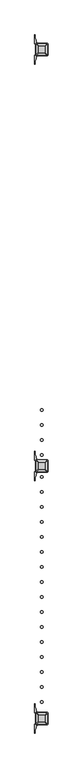
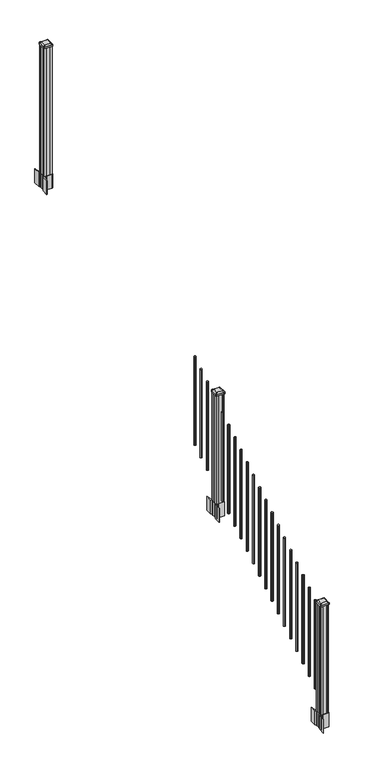
"""IFC4 building model written with IfcOpenShell, lengths in millimetres: railing geometry."""

from ifc_helpers import new_model, si_unit, point, frame, frame_2d, origin, place, context, project, spatial, polyline, circle_curve, trimmed, segment, composite_curve, outline, extrude, source, transform, mapped, element, save
from ifc_brep_helpers import plane_surface, extruded_surface, advanced_brep


def railing_1b7e2a3b(model_context):
    return source(origin(), model_context, "Body", "SolidModel", [
        extrude(outline(composite_curve([segment(trimmed(circle_curve(frame_2d((9872.6802034, -20054.6054681)), 9.525), [point((9882.2052034, -20054.6054681))], [point((9872.6802034, -20064.1304681))], False, "CARTESIAN"), True, "CONTINUOUS"), segment(trimmed(circle_curve(frame_2d((9872.6802034, -20054.6054681)), 9.525), [point((9872.6802034, -20064.1304681))], [point((9863.1552034, -20054.6054681))], False, "CARTESIAN"), True, "CONTINUOUS"), segment(trimmed(circle_curve(frame_2d((9872.6802034, -20054.6054681)), 9.525), [point((9863.1552034, -20054.6054681))], [point((9872.6802034, -20045.0804681))], False, "CARTESIAN"), True, "CONTINUOUS"), segment(trimmed(circle_curve(frame_2d((9872.6802034, -20054.6054681)), 9.525), [point((9872.6802034, -20045.0804681))], [point((9882.2052034, -20054.6054681))], False, "CARTESIAN"), True, "CONTINUOUS")], self_intersect=False)), frame((0.0, 0.0, 1695.6046281), z_axis=(0.0, 0.0, 1.0), x_axis=(1.0, 0.0, 0.0)), (0.0, 0.0, 1.0), 965.2041219),
        extrude(outline(composite_curve([segment(trimmed(circle_curve(frame_2d((9872.6802034, -20165.8574681)), 9.525), [point((9882.2052034, -20165.8574681))], [point((9872.6802034, -20175.3824681))], False, "CARTESIAN"), True, "CONTINUOUS"), segment(trimmed(circle_curve(frame_2d((9872.6802034, -20165.8574681)), 9.525), [point((9872.6802034, -20175.3824681))], [point((9863.1552034, -20165.8574681))], False, "CARTESIAN"), True, "CONTINUOUS"), segment(trimmed(circle_curve(frame_2d((9872.6802034, -20165.8574681)), 9.525), [point((9863.1552034, -20165.8574681))], [point((9872.6802034, -20156.3324681))], False, "CARTESIAN"), True, "CONTINUOUS"), segment(trimmed(circle_curve(frame_2d((9872.6802034, -20165.8574681)), 9.525), [point((9872.6802034, -20156.3324681))], [point((9882.2052034, -20165.8574681))], False, "CARTESIAN"), True, "CONTINUOUS")], self_intersect=False)), frame((0.0, 0.0, 1626.0721281), z_axis=(0.0, 0.0, 1.0), x_axis=(1.0, 0.0, 0.0)), (0.0, 0.0, 1.0), 965.2041219),
        extrude(outline(composite_curve([segment(trimmed(circle_curve(frame_2d((9872.6802034, -20277.1094681)), 9.525), [point((9882.2052034, -20277.1094681))], [point((9872.6802034, -20286.6344681))], False, "CARTESIAN"), True, "CONTINUOUS"), segment(trimmed(circle_curve(frame_2d((9872.6802034, -20277.1094681)), 9.525), [point((9872.6802034, -20286.6344681))], [point((9863.1552034, -20277.1094681))], False, "CARTESIAN"), True, "CONTINUOUS"), segment(trimmed(circle_curve(frame_2d((9872.6802034, -20277.1094681)), 9.525), [point((9863.1552034, -20277.1094681))], [point((9872.6802034, -20267.5844681))], False, "CARTESIAN"), True, "CONTINUOUS"), segment(trimmed(circle_curve(frame_2d((9872.6802034, -20277.1094681)), 9.525), [point((9872.6802034, -20267.5844681))], [point((9882.2052034, -20277.1094681))], False, "CARTESIAN"), True, "CONTINUOUS")], self_intersect=False)), frame((0.0, 0.0, 1556.5396281), z_axis=(0.0, 0.0, 1.0), x_axis=(1.0, 0.0, 0.0)), (0.0, 0.0, 1.0), 965.2041219),
        extrude(outline(composite_curve([segment(trimmed(circle_curve(frame_2d((9872.6802034, -20388.3614681)), 9.525), [point((9882.2052034, -20388.3614681))], [point((9872.6802034, -20397.8864681))], False, "CARTESIAN"), True, "CONTINUOUS"), segment(trimmed(circle_curve(frame_2d((9872.6802034, -20388.3614681)), 9.525), [point((9872.6802034, -20397.8864681))], [point((9863.1552034, -20388.3614681))], False, "CARTESIAN"), True, "CONTINUOUS"), segment(trimmed(circle_curve(frame_2d((9872.6802034, -20388.3614681)), 9.525), [point((9863.1552034, -20388.3614681))], [point((9872.6802034, -20378.8364681))], False, "CARTESIAN"), True, "CONTINUOUS"), segment(trimmed(circle_curve(frame_2d((9872.6802034, -20388.3614681)), 9.525), [point((9872.6802034, -20378.8364681))], [point((9882.2052034, -20388.3614681))], False, "CARTESIAN"), True, "CONTINUOUS")], self_intersect=False)), frame((0.0, 0.0, 1487.0071281), z_axis=(0.0, 0.0, 1.0), x_axis=(1.0, 0.0, 0.0)), (0.0, 0.0, 1.0), 965.2041219),
        extrude(outline(composite_curve([segment(polyline([(9915.4157034, -20486.773563), (9917.0032034, -20487.535563), (9917.0032034, -20510.337491), (9913.6302263, -20513.7104681), (9852.1705555, -20513.7104681), (9852.1705555, -20514.6312181), (9846.8530117, -20514.6312181), (9846.8530117, -20516.0854728), (9841.768482, -20516.0854728), (9841.768482, -20517.3694966), (9840.1012097, -20517.3694966)]), True, "CONTINUOUS"), segment(trimmed(circle_curve(frame_2d((9840.1012097, -20524.4289565)), 7.0594599), [point((9840.1012097, -20517.3694966))], [point((9833.3339468, -20522.4189498))], True, "CARTESIAN"), True, "CONTINUOUS"), segment(polyline([(9833.3339468, -20522.4189498), (9825.4597526, -20548.9296789)]), True, "CONTINUOUS"), segment(trimmed(circle_curve(frame_2d((9880.2442659, -20565.2017285)), 57.15), [point((9825.4597526, -20548.9296789))], [point((9823.0942659, -20565.2017285))], True, "CARTESIAN"), True, "CONTINUOUS"), segment(polyline([(9823.0942659, -20565.2017285), (9823.0942659, -20577.2104681), (9820.0942659, -20577.2104681), (9820.0942659, -20512.1229681), (9828.3572034, -20500.7846768), (9828.3572034, -20487.535563), (9829.9447034, -20486.773563), (9829.9447034, -20452.0013732), (9828.3572034, -20451.2393732), (9828.3572034, -20437.9902594), (9820.0942659, -20426.6519681), (9820.0942659, -20361.5644681), (9823.0942659, -20361.5644681), (9823.0942659, -20373.5732076)]), True, "CONTINUOUS"), segment(trimmed(circle_curve(frame_2d((9880.2442659, -20373.5732076)), 57.15), [point((9823.0942659, -20373.5732076))], [point((9825.4597526, -20389.8452573))], True, "CARTESIAN"), True, "CONTINUOUS"), segment(polyline([(9825.4597526, -20389.8452573), (9833.3339468, -20416.3559864)]), True, "CONTINUOUS"), segment(trimmed(circle_curve(frame_2d((9840.1012097, -20414.3459797)), 7.0594599), [point((9833.3339468, -20416.3559864))], [point((9840.1012097, -20421.4054396))], True, "CARTESIAN"), True, "CONTINUOUS"), segment(polyline([(9840.1012097, -20421.4054396), (9841.768482, -20421.4054396), (9841.768482, -20422.6894634), (9846.8530117, -20422.6894634), (9846.8530117, -20424.1437181), (9852.1705555, -20424.1437181), (9852.1705555, -20425.0644681), (9913.6302263, -20425.0644681), (9917.0032034, -20428.4374452), (9917.0032034, -20451.2393732), (9915.4157034, -20452.0013732), (9915.4157034, -20486.773563)]), True, "CONTINUOUS")], self_intersect=False), holes=[polyline([(9831.4052034, -20429.6999681), (9831.4052034, -20509.0749681), (9832.9927034, -20510.6624681), (9869.916986, -20510.6624681), (9912.3677034, -20510.6624681), (9913.9552034, -20509.0749681), (9913.9552034, -20429.6999681), (9912.3677034, -20428.1124681), (9869.916986, -20428.1124681), (9832.9927034, -20428.1124681), (9831.4052034, -20429.6999681)])]), frame((0.0, 0.0, 1182.37), z_axis=(0.0, 0.0, 1.0), x_axis=(1.0, 0.0, 0.0)), (0.0, 0.0, 1.0), 152.4),
        advanced_brep(
        [(9846.8833284, -20498.3593431, 2547.109263), (9898.4770784, -20498.3593431, 2547.109263), (9901.6520784, -20495.1843431, 2547.109263), (9901.6520784, -20443.5905931, 2547.109263), (9898.4770784, -20440.4155931, 2547.109263), (9846.8833284, -20440.4155931, 2547.109263), (9843.7083284, -20443.5905931, 2547.109263), (9843.7083284, -20495.1843431, 2547.109263), (9830.6114534, -20514.6312181, 2535.806263), (9827.4364534, -20511.4562181, 2535.806263), (9827.4364534, -20427.3187181, 2535.806263), (9830.6114534, -20424.1437181, 2535.806263), (9914.7489534, -20424.1437181, 2535.806263), (9917.9239534, -20427.3187181, 2535.806263), (9917.9239534, -20511.4562181, 2535.806263), (9914.7489534, -20514.6312181, 2535.806263)],
        [
            (0, 1),
            (1, 2, circle_curve(frame((9898.4770784, -20495.1843431, 2547.109263), z_axis=(0.0, 0.0, 1.0), x_axis=(0.0, 1.0, 0.0)), 3.175)),
            (2, 3),
            (3, 4, circle_curve(frame((9898.4770784, -20443.5905931, 2547.109263), z_axis=(0.0, 0.0, 1.0), x_axis=(0.0, 1.0, 0.0)), 3.175)),
            (4, 5),
            (5, 6, circle_curve(frame((9846.8833284, -20443.5905931, 2547.109263), z_axis=(0.0, 0.0, 1.0), x_axis=(0.0, 1.0, 0.0)), 3.175)),
            (6, 7),
            (7, 0, circle_curve(frame((9846.8833284, -20495.1843431, 2547.109263), z_axis=(0.0, 0.0, 1.0), x_axis=(0.0, 1.0, 0.0)), 3.175)),
            (8, 9, circle_curve(frame((9830.6114534, -20511.4562181, 2535.806263), z_axis=(0.0, 0.0, -1.0), x_axis=(0.0, 1.0, 0.0)), 3.175)),
            (9, 10),
            (10, 11, circle_curve(frame((9830.6114534, -20427.3187181, 2535.806263), z_axis=(0.0, 0.0, -1.0), x_axis=(0.0, 1.0, 0.0)), 3.175)),
            (11, 12),
            (12, 13, circle_curve(frame((9914.7489534, -20427.3187181, 2535.806263), z_axis=(0.0, 0.0, -1.0), x_axis=(0.0, 1.0, 0.0)), 3.175)),
            (13, 14),
            (14, 15, circle_curve(frame((9914.7489534, -20511.4562181, 2535.806263), z_axis=(0.0, 0.0, -1.0), x_axis=(0.0, 1.0, 0.0)), 3.175)),
            (15, 8),
            (8, 0),
            (7, 9),
            (6, 10),
            (5, 11),
            (4, 12),
            (3, 13),
            (2, 14),
            (1, 15),
        ],
        [
            plane_surface(frame((9872.6802034, -20469.3874681, 2547.109263), z_axis=(0.0, 0.0, 1.0), x_axis=(-1.0, 0.0, 0.0))),
            plane_surface(frame((9872.6802034, -20469.3874681, 2535.806263), z_axis=(0.0, 0.0, -1.0), x_axis=(-1.0, 0.0, 0.0))),
            extruded_surface(trimmed(circle_curve(frame((9846.8833284, -20495.1843431, 2547.109263), z_axis=(0.0, 0.0, -1.0), x_axis=(0.0, 1.0, 0.0)), 3.175), [point((9846.8833284, -20498.3593431, 2547.109263))], [point((9843.7083284, -20495.1843431, 2547.109263))], True, "CARTESIAN"), (-16.271874999998545, -16.271874999998545, -11.302999999999884), 25.637972638864262),
            plane_surface(frame((9827.4364534, -20469.3874681, 2535.806263), z_axis=(-0.5705009161540778, 0.0, 0.8212969649690408), x_axis=(0.0, 1.0, 0.0))),
            extruded_surface(trimmed(circle_curve(frame((9846.8833284, -20443.5905931, 2547.109263), z_axis=(0.0, 0.0, -1.0), x_axis=(0.0, 1.0, 0.0)), 3.175), [point((9843.7083284, -20443.5905931, 2547.109263))], [point((9846.8833284, -20440.4155931, 2547.109263))], True, "CARTESIAN"), (-16.271874999998545, 16.271875000002183, -11.302999999999884), 25.637972638866575),
            plane_surface(frame((9872.6802034, -20424.1437181, 2535.806263), z_axis=(0.0, 0.5705009161540291, 0.8212969649690747), x_axis=(1.0, 0.0, 0.0))),
            extruded_surface(trimmed(circle_curve(frame((9898.4770784, -20443.5905931, 2547.109263), z_axis=(0.0, 0.0, -1.0), x_axis=(0.0, 1.0, 0.0)), 3.175), [point((9898.4770784, -20440.4155931, 2547.109263))], [point((9901.6520784, -20443.5905931, 2547.109263))], True, "CARTESIAN"), (16.271875000000364, 16.271875000002183, -11.302999999999884), 25.637972638867726),
            plane_surface(frame((9917.9239534, -20469.3874681, 2535.806263), z_axis=(0.5705009161540142, 0.0, 0.8212969649690851), x_axis=(0.0, -1.0, 0.0))),
            extruded_surface(trimmed(circle_curve(frame((9898.4770784, -20495.1843431, 2547.109263), z_axis=(0.0, 0.0, -1.0), x_axis=(0.0, 1.0, 0.0)), 3.175), [point((9901.6520784, -20495.1843431, 2547.109263))], [point((9898.4770784, -20498.3593431, 2547.109263))], True, "CARTESIAN"), (16.271875000000364, -16.271874999998545, -11.302999999999884), 25.63797263886542),
            plane_surface(frame((9872.6802034, -20514.6312181, 2535.806263), z_axis=(0.0, -0.570500916154034, 0.8212969649690713), x_axis=(-1.0, 0.0, 0.0))),
        ],
        [
            (0, [[1, 2, 3, 4, 5, 6, 7, 8]]),
            (1, [[9, 10, 11, 12, 13, 14, 15, 16]]),
            (2, [[17, -8, 18, -9]]),
            (3, [[-18, -7, 19, -10]]),
            (4, [[-19, -6, 20, -11]]),
            (5, [[-20, -5, 21, -12]]),
            (6, [[-21, -4, 22, -13]]),
            (7, [[-22, -3, 23, -14]]),
            (8, [[-23, -2, 24, -15]]),
            (9, [[-24, -1, -17, -16]]),
        ],
    ),
        extrude(outline(composite_curve([segment(trimmed(circle_curve(frame_2d((9830.6114534, -20511.4562181)), 3.175), [point((9830.6114534, -20514.6312181))], [point((9827.4364534, -20511.4562181))], False, "CARTESIAN"), True, "CONTINUOUS"), segment(polyline([(9827.4364534, -20511.4562181), (9827.4364534, -20427.3187181)]), True, "CONTINUOUS"), segment(trimmed(circle_curve(frame_2d((9830.6114534, -20427.3187181)), 3.175), [point((9827.4364534, -20427.3187181))], [point((9830.6114534, -20424.1437181))], False, "CARTESIAN"), True, "CONTINUOUS"), segment(polyline([(9830.6114534, -20424.1437181), (9914.7489534, -20424.1437181)]), True, "CONTINUOUS"), segment(trimmed(circle_curve(frame_2d((9914.7489534, -20427.3187181)), 3.175), [point((9914.7489534, -20424.1437181))], [point((9917.9239534, -20427.3187181))], False, "CARTESIAN"), True, "CONTINUOUS"), segment(polyline([(9917.9239534, -20427.3187181), (9917.9239534, -20511.4562181)]), True, "CONTINUOUS"), segment(trimmed(circle_curve(frame_2d((9914.7489534, -20511.4562181)), 3.175), [point((9917.9239534, -20511.4562181))], [point((9914.7489534, -20514.6312181))], False, "CARTESIAN"), True, "CONTINUOUS"), segment(polyline([(9914.7489534, -20514.6312181), (9830.6114534, -20514.6312181)]), True, "CONTINUOUS")], self_intersect=False)), frame((0.0, 0.0, 2518.534263), z_axis=(0.0, 0.0, 1.0), x_axis=(1.0, 0.0, 0.0)), (0.0, 0.0, 1.0), 17.272),
        extrude(outline(polyline([(9832.9927034, -20510.6624681), (9831.4052034, -20509.0749681), (9831.4052034, -20489.4534681), (9832.9927034, -20488.6914681), (9832.9927034, -20450.0834681), (9831.4052034, -20449.3214681), (9831.4052034, -20429.6999681), (9832.9927034, -20428.1124681), (9852.6142034, -20428.1124681), (9853.3762034, -20429.6999681), (9891.9842034, -20429.6999681), (9892.7462034, -20428.1124681), (9912.3677034, -20428.1124681), (9913.9552034, -20429.6999681), (9913.9552034, -20449.3214681), (9912.3677034, -20450.0834681), (9912.3677034, -20488.6914681), (9913.9552034, -20489.4534681), (9913.9552034, -20509.0749681), (9912.3677034, -20510.6624681), (9892.7462034, -20510.6624681), (9891.9842034, -20509.0749681), (9853.3762034, -20509.0749681), (9852.6142034, -20510.6624681), (9832.9927034, -20510.6624681)])), frame((0.0, 0.0, 1334.77), z_axis=(0.0, 0.0, 1.0), x_axis=(1.0, 0.0, 0.0)), (0.0, 0.0, 1.0), 1183.764263),
        extrude(outline(composite_curve([segment(trimmed(circle_curve(frame_2d((9872.6802034, -20550.4134681)), 9.525), [point((9882.2052034, -20550.4134681))], [point((9872.6802034, -20559.9384681))], False, "CARTESIAN"), True, "CONTINUOUS"), segment(trimmed(circle_curve(frame_2d((9872.6802034, -20550.4134681)), 9.525), [point((9872.6802034, -20559.9384681))], [point((9863.1552034, -20550.4134681))], False, "CARTESIAN"), True, "CONTINUOUS"), segment(trimmed(circle_curve(frame_2d((9872.6802034, -20550.4134681)), 9.525), [point((9863.1552034, -20550.4134681))], [point((9872.6802034, -20540.8884681))], False, "CARTESIAN"), True, "CONTINUOUS"), segment(trimmed(circle_curve(frame_2d((9872.6802034, -20550.4134681)), 9.525), [point((9872.6802034, -20540.8884681))], [point((9882.2052034, -20550.4134681))], False, "CARTESIAN"), True, "CONTINUOUS")], self_intersect=False)), frame((0.0, 0.0, 1385.7246281), z_axis=(0.0, 0.0, 1.0), x_axis=(1.0, 0.0, 0.0)), (0.0, 0.0, 1.0), 965.2041219),
        extrude(outline(composite_curve([segment(trimmed(circle_curve(frame_2d((9872.6802034, -20661.6654681)), 9.525), [point((9882.2052034, -20661.6654681))], [point((9872.6802034, -20671.1904681))], False, "CARTESIAN"), True, "CONTINUOUS"), segment(trimmed(circle_curve(frame_2d((9872.6802034, -20661.6654681)), 9.525), [point((9872.6802034, -20671.1904681))], [point((9863.1552034, -20661.6654681))], False, "CARTESIAN"), True, "CONTINUOUS"), segment(trimmed(circle_curve(frame_2d((9872.6802034, -20661.6654681)), 9.525), [point((9863.1552034, -20661.6654681))], [point((9872.6802034, -20652.1404681))], False, "CARTESIAN"), True, "CONTINUOUS"), segment(trimmed(circle_curve(frame_2d((9872.6802034, -20661.6654681)), 9.525), [point((9872.6802034, -20652.1404681))], [point((9882.2052034, -20661.6654681))], False, "CARTESIAN"), True, "CONTINUOUS")], self_intersect=False)), frame((0.0, 0.0, 1316.1921281), z_axis=(0.0, 0.0, 1.0), x_axis=(1.0, 0.0, 0.0)), (0.0, 0.0, 1.0), 965.2041219),
        extrude(outline(composite_curve([segment(trimmed(circle_curve(frame_2d((9872.6802034, -20772.9174681)), 9.525), [point((9882.2052034, -20772.9174681))], [point((9872.6802034, -20782.4424681))], False, "CARTESIAN"), True, "CONTINUOUS"), segment(trimmed(circle_curve(frame_2d((9872.6802034, -20772.9174681)), 9.525), [point((9872.6802034, -20782.4424681))], [point((9863.1552034, -20772.9174681))], False, "CARTESIAN"), True, "CONTINUOUS"), segment(trimmed(circle_curve(frame_2d((9872.6802034, -20772.9174681)), 9.525), [point((9863.1552034, -20772.9174681))], [point((9872.6802034, -20763.3924681))], False, "CARTESIAN"), True, "CONTINUOUS"), segment(trimmed(circle_curve(frame_2d((9872.6802034, -20772.9174681)), 9.525), [point((9872.6802034, -20763.3924681))], [point((9882.2052034, -20772.9174681))], False, "CARTESIAN"), True, "CONTINUOUS")], self_intersect=False)), frame((0.0, 0.0, 1246.6596281), z_axis=(0.0, 0.0, 1.0), x_axis=(1.0, 0.0, 0.0)), (0.0, 0.0, 1.0), 965.2041219),
        extrude(outline(composite_curve([segment(trimmed(circle_curve(frame_2d((9872.6802034, -20884.1694681)), 9.525), [point((9882.2052034, -20884.1694681))], [point((9872.6802034, -20893.6944681))], False, "CARTESIAN"), True, "CONTINUOUS"), segment(trimmed(circle_curve(frame_2d((9872.6802034, -20884.1694681)), 9.525), [point((9872.6802034, -20893.6944681))], [point((9863.1552034, -20884.1694681))], False, "CARTESIAN"), True, "CONTINUOUS"), segment(trimmed(circle_curve(frame_2d((9872.6802034, -20884.1694681)), 9.525), [point((9863.1552034, -20884.1694681))], [point((9872.6802034, -20874.6444681))], False, "CARTESIAN"), True, "CONTINUOUS"), segment(trimmed(circle_curve(frame_2d((9872.6802034, -20884.1694681)), 9.525), [point((9872.6802034, -20874.6444681))], [point((9882.2052034, -20884.1694681))], False, "CARTESIAN"), True, "CONTINUOUS")], self_intersect=False)), frame((0.0, 0.0, 1177.1271281), z_axis=(0.0, 0.0, 1.0), x_axis=(1.0, 0.0, 0.0)), (0.0, 0.0, 1.0), 965.2041219),
        extrude(outline(composite_curve([segment(trimmed(circle_curve(frame_2d((9872.6802034, -20995.4214681)), 9.525), [point((9882.2052034, -20995.4214681))], [point((9872.6802034, -21004.9464681))], False, "CARTESIAN"), True, "CONTINUOUS"), segment(trimmed(circle_curve(frame_2d((9872.6802034, -20995.4214681)), 9.525), [point((9872.6802034, -21004.9464681))], [point((9863.1552034, -20995.4214681))], False, "CARTESIAN"), True, "CONTINUOUS"), segment(trimmed(circle_curve(frame_2d((9872.6802034, -20995.4214681)), 9.525), [point((9863.1552034, -20995.4214681))], [point((9872.6802034, -20985.8964681))], False, "CARTESIAN"), True, "CONTINUOUS"), segment(trimmed(circle_curve(frame_2d((9872.6802034, -20995.4214681)), 9.525), [point((9872.6802034, -20985.8964681))], [point((9882.2052034, -20995.4214681))], False, "CARTESIAN"), True, "CONTINUOUS")], self_intersect=False)), frame((0.0, 0.0, 1107.5946281), z_axis=(0.0, 0.0, 1.0), x_axis=(1.0, 0.0, 0.0)), (0.0, 0.0, 1.0), 965.2041219),
        extrude(outline(composite_curve([segment(trimmed(circle_curve(frame_2d((9872.6802034, -21106.6734681)), 9.525), [point((9882.2052034, -21106.6734681))], [point((9872.6802034, -21116.1984681))], False, "CARTESIAN"), True, "CONTINUOUS"), segment(trimmed(circle_curve(frame_2d((9872.6802034, -21106.6734681)), 9.525), [point((9872.6802034, -21116.1984681))], [point((9863.1552034, -21106.6734681))], False, "CARTESIAN"), True, "CONTINUOUS"), segment(trimmed(circle_curve(frame_2d((9872.6802034, -21106.6734681)), 9.525), [point((9863.1552034, -21106.6734681))], [point((9872.6802034, -21097.1484681))], False, "CARTESIAN"), True, "CONTINUOUS"), segment(trimmed(circle_curve(frame_2d((9872.6802034, -21106.6734681)), 9.525), [point((9872.6802034, -21097.1484681))], [point((9882.2052034, -21106.6734681))], False, "CARTESIAN"), True, "CONTINUOUS")], self_intersect=False)), frame((0.0, 0.0, 1038.0621281), z_axis=(0.0, 0.0, 1.0), x_axis=(1.0, 0.0, 0.0)), (0.0, 0.0, 1.0), 965.2041219),
        extrude(outline(composite_curve([segment(trimmed(circle_curve(frame_2d((9872.6802034, -21217.9254681)), 9.525), [point((9882.2052034, -21217.9254681))], [point((9872.6802034, -21227.4504681))], False, "CARTESIAN"), True, "CONTINUOUS"), segment(trimmed(circle_curve(frame_2d((9872.6802034, -21217.9254681)), 9.525), [point((9872.6802034, -21227.4504681))], [point((9863.1552034, -21217.9254681))], False, "CARTESIAN"), True, "CONTINUOUS"), segment(trimmed(circle_curve(frame_2d((9872.6802034, -21217.9254681)), 9.525), [point((9863.1552034, -21217.9254681))], [point((9872.6802034, -21208.4004681))], False, "CARTESIAN"), True, "CONTINUOUS"), segment(trimmed(circle_curve(frame_2d((9872.6802034, -21217.9254681)), 9.525), [point((9872.6802034, -21208.4004681))], [point((9882.2052034, -21217.9254681))], False, "CARTESIAN"), True, "CONTINUOUS")], self_intersect=False)), frame((0.0, 0.0, 968.5296281), z_axis=(0.0, 0.0, 1.0), x_axis=(1.0, 0.0, 0.0)), (0.0, 0.0, 1.0), 965.2041219),
        extrude(outline(composite_curve([segment(trimmed(circle_curve(frame_2d((9872.6802034, -21329.1774681)), 9.525), [point((9882.2052034, -21329.1774681))], [point((9872.6802034, -21338.7024681))], False, "CARTESIAN"), True, "CONTINUOUS"), segment(trimmed(circle_curve(frame_2d((9872.6802034, -21329.1774681)), 9.525), [point((9872.6802034, -21338.7024681))], [point((9863.1552034, -21329.1774681))], False, "CARTESIAN"), True, "CONTINUOUS"), segment(trimmed(circle_curve(frame_2d((9872.6802034, -21329.1774681)), 9.525), [point((9863.1552034, -21329.1774681))], [point((9872.6802034, -21319.6524681))], False, "CARTESIAN"), True, "CONTINUOUS"), segment(trimmed(circle_curve(frame_2d((9872.6802034, -21329.1774681)), 9.525), [point((9872.6802034, -21319.6524681))], [point((9882.2052034, -21329.1774681))], False, "CARTESIAN"), True, "CONTINUOUS")], self_intersect=False)), frame((0.0, 0.0, 898.9971281), z_axis=(0.0, 0.0, 1.0), x_axis=(1.0, 0.0, 0.0)), (0.0, 0.0, 1.0), 965.2041219),
        extrude(outline(composite_curve([segment(trimmed(circle_curve(frame_2d((9872.6802034, -21440.4294681)), 9.525), [point((9882.2052034, -21440.4294681))], [point((9872.6802034, -21449.9544681))], False, "CARTESIAN"), True, "CONTINUOUS"), segment(trimmed(circle_curve(frame_2d((9872.6802034, -21440.4294681)), 9.525), [point((9872.6802034, -21449.9544681))], [point((9863.1552034, -21440.4294681))], False, "CARTESIAN"), True, "CONTINUOUS"), segment(trimmed(circle_curve(frame_2d((9872.6802034, -21440.4294681)), 9.525), [point((9863.1552034, -21440.4294681))], [point((9872.6802034, -21430.9044681))], False, "CARTESIAN"), True, "CONTINUOUS"), segment(trimmed(circle_curve(frame_2d((9872.6802034, -21440.4294681)), 9.525), [point((9872.6802034, -21430.9044681))], [point((9882.2052034, -21440.4294681))], False, "CARTESIAN"), True, "CONTINUOUS")], self_intersect=False)), frame((0.0, 0.0, 829.4646281), z_axis=(0.0, 0.0, 1.0), x_axis=(1.0, 0.0, 0.0)), (0.0, 0.0, 1.0), 965.2041219),
        extrude(outline(composite_curve([segment(trimmed(circle_curve(frame_2d((9872.6802034, -21551.6814681)), 9.525), [point((9882.2052034, -21551.6814681))], [point((9872.6802034, -21561.2064681))], False, "CARTESIAN"), True, "CONTINUOUS"), segment(trimmed(circle_curve(frame_2d((9872.6802034, -21551.6814681)), 9.525), [point((9872.6802034, -21561.2064681))], [point((9863.1552034, -21551.6814681))], False, "CARTESIAN"), True, "CONTINUOUS"), segment(trimmed(circle_curve(frame_2d((9872.6802034, -21551.6814681)), 9.525), [point((9863.1552034, -21551.6814681))], [point((9872.6802034, -21542.1564681))], False, "CARTESIAN"), True, "CONTINUOUS"), segment(trimmed(circle_curve(frame_2d((9872.6802034, -21551.6814681)), 9.525), [point((9872.6802034, -21542.1564681))], [point((9882.2052034, -21551.6814681))], False, "CARTESIAN"), True, "CONTINUOUS")], self_intersect=False)), frame((0.0, 0.0, 759.9321281), z_axis=(0.0, 0.0, 1.0), x_axis=(1.0, 0.0, 0.0)), (0.0, 0.0, 1.0), 965.2041219),
        extrude(outline(composite_curve([segment(trimmed(circle_curve(frame_2d((9872.6802034, -21662.9334681)), 9.525), [point((9882.2052034, -21662.9334681))], [point((9872.6802034, -21672.4584681))], False, "CARTESIAN"), True, "CONTINUOUS"), segment(trimmed(circle_curve(frame_2d((9872.6802034, -21662.9334681)), 9.525), [point((9872.6802034, -21672.4584681))], [point((9863.1552034, -21662.9334681))], False, "CARTESIAN"), True, "CONTINUOUS"), segment(trimmed(circle_curve(frame_2d((9872.6802034, -21662.9334681)), 9.525), [point((9863.1552034, -21662.9334681))], [point((9872.6802034, -21653.4084681))], False, "CARTESIAN"), True, "CONTINUOUS"), segment(trimmed(circle_curve(frame_2d((9872.6802034, -21662.9334681)), 9.525), [point((9872.6802034, -21653.4084681))], [point((9882.2052034, -21662.9334681))], False, "CARTESIAN"), True, "CONTINUOUS")], self_intersect=False)), frame((0.0, 0.0, 690.3996281), z_axis=(0.0, 0.0, 1.0), x_axis=(1.0, 0.0, 0.0)), (0.0, 0.0, 1.0), 965.2041219),
        extrude(outline(composite_curve([segment(trimmed(circle_curve(frame_2d((9872.6802034, -21774.1854681)), 9.525), [point((9882.2052034, -21774.1854681))], [point((9872.6802034, -21783.7104681))], False, "CARTESIAN"), True, "CONTINUOUS"), segment(trimmed(circle_curve(frame_2d((9872.6802034, -21774.1854681)), 9.525), [point((9872.6802034, -21783.7104681))], [point((9863.1552034, -21774.1854681))], False, "CARTESIAN"), True, "CONTINUOUS"), segment(trimmed(circle_curve(frame_2d((9872.6802034, -21774.1854681)), 9.525), [point((9863.1552034, -21774.1854681))], [point((9872.6802034, -21764.6604681))], False, "CARTESIAN"), True, "CONTINUOUS"), segment(trimmed(circle_curve(frame_2d((9872.6802034, -21774.1854681)), 9.525), [point((9872.6802034, -21764.6604681))], [point((9882.2052034, -21774.1854681))], False, "CARTESIAN"), True, "CONTINUOUS")], self_intersect=False)), frame((0.0, 0.0, 620.8671281), z_axis=(0.0, 0.0, 1.0), x_axis=(1.0, 0.0, 0.0)), (0.0, 0.0, 1.0), 965.2041219),
        extrude(outline(composite_curve([segment(trimmed(circle_curve(frame_2d((9872.6802034, -21885.4374681)), 9.525), [point((9882.2052034, -21885.4374681))], [point((9872.6802034, -21894.9624681))], False, "CARTESIAN"), True, "CONTINUOUS"), segment(trimmed(circle_curve(frame_2d((9872.6802034, -21885.4374681)), 9.525), [point((9872.6802034, -21894.9624681))], [point((9863.1552034, -21885.4374681))], False, "CARTESIAN"), True, "CONTINUOUS"), segment(trimmed(circle_curve(frame_2d((9872.6802034, -21885.4374681)), 9.525), [point((9863.1552034, -21885.4374681))], [point((9872.6802034, -21875.9124681))], False, "CARTESIAN"), True, "CONTINUOUS"), segment(trimmed(circle_curve(frame_2d((9872.6802034, -21885.4374681)), 9.525), [point((9872.6802034, -21875.9124681))], [point((9882.2052034, -21885.4374681))], False, "CARTESIAN"), True, "CONTINUOUS")], self_intersect=False)), frame((0.0, 0.0, 551.3346281), z_axis=(0.0, 0.0, 1.0), x_axis=(1.0, 0.0, 0.0)), (0.0, 0.0, 1.0), 965.2041219),
        extrude(outline(composite_curve([segment(trimmed(circle_curve(frame_2d((9872.6802034, -21996.6894681)), 9.525), [point((9882.2052034, -21996.6894681))], [point((9872.6802034, -22006.2144681))], False, "CARTESIAN"), True, "CONTINUOUS"), segment(trimmed(circle_curve(frame_2d((9872.6802034, -21996.6894681)), 9.525), [point((9872.6802034, -22006.2144681))], [point((9863.1552034, -21996.6894681))], False, "CARTESIAN"), True, "CONTINUOUS"), segment(trimmed(circle_curve(frame_2d((9872.6802034, -21996.6894681)), 9.525), [point((9863.1552034, -21996.6894681))], [point((9872.6802034, -21987.1644681))], False, "CARTESIAN"), True, "CONTINUOUS"), segment(trimmed(circle_curve(frame_2d((9872.6802034, -21996.6894681)), 9.525), [point((9872.6802034, -21987.1644681))], [point((9882.2052034, -21996.6894681))], False, "CARTESIAN"), True, "CONTINUOUS")], self_intersect=False)), frame((0.0, 0.0, 481.8021281), z_axis=(0.0, 0.0, 1.0), x_axis=(1.0, 0.0, 0.0)), (0.0, 0.0, 1.0), 965.2041219),
        extrude(outline(composite_curve([segment(trimmed(circle_curve(frame_2d((9872.6802034, -22107.9414681)), 9.525), [point((9882.2052034, -22107.9414681))], [point((9872.6802034, -22117.4664681))], False, "CARTESIAN"), True, "CONTINUOUS"), segment(trimmed(circle_curve(frame_2d((9872.6802034, -22107.9414681)), 9.525), [point((9872.6802034, -22117.4664681))], [point((9863.1552034, -22107.9414681))], False, "CARTESIAN"), True, "CONTINUOUS"), segment(trimmed(circle_curve(frame_2d((9872.6802034, -22107.9414681)), 9.525), [point((9863.1552034, -22107.9414681))], [point((9872.6802034, -22098.4164681))], False, "CARTESIAN"), True, "CONTINUOUS"), segment(trimmed(circle_curve(frame_2d((9872.6802034, -22107.9414681)), 9.525), [point((9872.6802034, -22098.4164681))], [point((9882.2052034, -22107.9414681))], False, "CARTESIAN"), True, "CONTINUOUS")], self_intersect=False)), frame((0.0, 0.0, 412.2696281), z_axis=(0.0, 0.0, 1.0), x_axis=(1.0, 0.0, 0.0)), (0.0, 0.0, 1.0), 965.2041219),
        extrude(outline(composite_curve([segment(trimmed(circle_curve(frame_2d((9872.6802034, -22219.1934681)), 9.525), [point((9882.2052034, -22219.1934681))], [point((9872.6802034, -22228.7184681))], False, "CARTESIAN"), True, "CONTINUOUS"), segment(trimmed(circle_curve(frame_2d((9872.6802034, -22219.1934681)), 9.525), [point((9872.6802034, -22228.7184681))], [point((9863.1552034, -22219.1934681))], False, "CARTESIAN"), True, "CONTINUOUS"), segment(trimmed(circle_curve(frame_2d((9872.6802034, -22219.1934681)), 9.525), [point((9863.1552034, -22219.1934681))], [point((9872.6802034, -22209.6684681))], False, "CARTESIAN"), True, "CONTINUOUS"), segment(trimmed(circle_curve(frame_2d((9872.6802034, -22219.1934681)), 9.525), [point((9872.6802034, -22209.6684681))], [point((9882.2052034, -22219.1934681))], False, "CARTESIAN"), True, "CONTINUOUS")], self_intersect=False)), frame((0.0, 0.0, 342.7371281), z_axis=(0.0, 0.0, 1.0), x_axis=(1.0, 0.0, 0.0)), (0.0, 0.0, 1.0), 965.2041219),
        extrude(outline(polyline([(9832.9927034, -17423.2924681), (9831.4052034, -17421.7049681), (9831.4052034, -17402.0834681), (9832.9927034, -17401.3214681), (9832.9927034, -17362.7134681), (9831.4052034, -17361.9514681), (9831.4052034, -17342.3299681), (9832.9927034, -17340.7424681), (9852.6142034, -17340.7424681), (9853.3762034, -17342.3299681), (9891.9842034, -17342.3299681), (9892.7462034, -17340.7424681), (9912.3677034, -17340.7424681), (9913.9552034, -17342.3299681), (9913.9552034, -17361.9514681), (9912.3677034, -17362.7134681), (9912.3677034, -17401.3214681), (9913.9552034, -17402.0834681), (9913.9552034, -17421.7049681), (9912.3677034, -17423.2924681), (9892.7462034, -17423.2924681), (9891.9842034, -17421.7049681), (9853.3762034, -17421.7049681), (9852.6142034, -17423.2924681), (9832.9927034, -17423.2924681)])), frame((0.0, 0.0, 3048.0), z_axis=(0.0, 0.0, 1.0), x_axis=(1.0, 0.0, 0.0)), (0.0, 0.0, 1.0), 1400.140513),
        extrude(outline(composite_curve([segment(polyline([(9915.4157034, -17399.403563), (9917.0032034, -17400.165563), (9917.0032034, -17422.967491), (9913.6302263, -17426.3404681), (9852.1705555, -17426.3404681), (9852.1705555, -17427.2612181), (9846.8530117, -17427.2612181), (9846.8530117, -17428.7154728), (9841.768482, -17428.7154728), (9841.768482, -17429.9994966), (9840.1012097, -17429.9994966)]), True, "CONTINUOUS"), segment(trimmed(circle_curve(frame_2d((9840.1012097, -17437.0589565)), 7.0594599), [point((9840.1012097, -17429.9994966))], [point((9833.3339468, -17435.0489498))], True, "CARTESIAN"), True, "CONTINUOUS"), segment(polyline([(9833.3339468, -17435.0489498), (9825.4597526, -17461.5596789)]), True, "CONTINUOUS"), segment(trimmed(circle_curve(frame_2d((9880.2442659, -17477.8317285)), 57.15), [point((9825.4597526, -17461.5596789))], [point((9823.0942659, -17477.8317285))], True, "CARTESIAN"), True, "CONTINUOUS"), segment(polyline([(9823.0942659, -17477.8317285), (9823.0942659, -17489.8404681), (9820.0942659, -17489.8404681), (9820.0942659, -17424.7529681), (9828.3572034, -17413.4146768), (9828.3572034, -17400.165563), (9829.9447034, -17399.403563), (9829.9447034, -17364.6313732), (9828.3572034, -17363.8693732), (9828.3572034, -17350.6202594), (9820.0942659, -17339.2819681), (9820.0942659, -17274.1944681), (9823.0942659, -17274.1944681), (9823.0942659, -17286.2032076)]), True, "CONTINUOUS"), segment(trimmed(circle_curve(frame_2d((9880.2442659, -17286.2032076)), 57.15), [point((9823.0942659, -17286.2032076))], [point((9825.4597526, -17302.4752573))], True, "CARTESIAN"), True, "CONTINUOUS"), segment(polyline([(9825.4597526, -17302.4752573), (9833.3339468, -17328.9859864)]), True, "CONTINUOUS"), segment(trimmed(circle_curve(frame_2d((9840.1012097, -17326.9759797)), 7.0594599), [point((9833.3339468, -17328.9859864))], [point((9840.1012097, -17334.0354396))], True, "CARTESIAN"), True, "CONTINUOUS"), segment(polyline([(9840.1012097, -17334.0354396), (9841.768482, -17334.0354396), (9841.768482, -17335.3194634), (9846.8530117, -17335.3194634), (9846.8530117, -17336.7737181), (9852.1705555, -17336.7737181), (9852.1705555, -17337.6944681), (9913.6302263, -17337.6944681), (9917.0032034, -17341.0674452), (9917.0032034, -17363.8693732), (9915.4157034, -17364.6313732), (9915.4157034, -17399.403563)]), True, "CONTINUOUS")], self_intersect=False), holes=[polyline([(9831.4052034, -17342.3299681), (9831.4052034, -17421.7049681), (9832.9927034, -17423.2924681), (9869.916986, -17423.2924681), (9912.3677034, -17423.2924681), (9913.9552034, -17421.7049681), (9913.9552034, -17342.3299681), (9912.3677034, -17340.7424681), (9869.916986, -17340.7424681), (9832.9927034, -17340.7424681), (9831.4052034, -17342.3299681)])]), frame((0.0, 0.0, 2895.6), z_axis=(0.0, 0.0, 1.0), x_axis=(1.0, 0.0, 0.0)), (0.0, 0.0, 1.0), 152.4),
        advanced_brep(
        [(9846.8833284, -17410.9893431, 4476.715513), (9898.4770784, -17410.9893431, 4476.715513), (9901.6520784, -17407.8143431, 4476.715513), (9901.6520784, -17356.2205931, 4476.715513), (9898.4770784, -17353.0455931, 4476.715513), (9846.8833284, -17353.0455931, 4476.715513), (9843.7083284, -17356.2205931, 4476.715513), (9843.7083284, -17407.8143431, 4476.715513), (9830.6114534, -17427.2612181, 4465.412513), (9827.4364534, -17424.0862181, 4465.412513), (9827.4364534, -17339.9487181, 4465.412513), (9830.6114534, -17336.7737181, 4465.412513), (9914.7489534, -17336.7737181, 4465.412513), (9917.9239534, -17339.9487181, 4465.412513), (9917.9239534, -17424.0862181, 4465.412513), (9914.7489534, -17427.2612181, 4465.412513)],
        [
            (0, 1),
            (1, 2, circle_curve(frame((9898.4770784, -17407.8143431, 4476.715513), z_axis=(0.0, 0.0, 1.0), x_axis=(0.0, 1.0, 0.0)), 3.175)),
            (2, 3),
            (3, 4, circle_curve(frame((9898.4770784, -17356.2205931, 4476.715513), z_axis=(0.0, 0.0, 1.0), x_axis=(0.0, 1.0, 0.0)), 3.175)),
            (4, 5),
            (5, 6, circle_curve(frame((9846.8833284, -17356.2205931, 4476.715513), z_axis=(0.0, 0.0, 1.0), x_axis=(0.0, 1.0, 0.0)), 3.175)),
            (6, 7),
            (7, 0, circle_curve(frame((9846.8833284, -17407.8143431, 4476.715513), z_axis=(0.0, 0.0, 1.0), x_axis=(0.0, 1.0, 0.0)), 3.175)),
            (8, 9, circle_curve(frame((9830.6114534, -17424.0862181, 4465.412513), z_axis=(0.0, 0.0, -1.0), x_axis=(0.0, 1.0, 0.0)), 3.175)),
            (9, 10),
            (10, 11, circle_curve(frame((9830.6114534, -17339.9487181, 4465.412513), z_axis=(0.0, 0.0, -1.0), x_axis=(0.0, 1.0, 0.0)), 3.175)),
            (11, 12),
            (12, 13, circle_curve(frame((9914.7489534, -17339.9487181, 4465.412513), z_axis=(0.0, 0.0, -1.0), x_axis=(0.0, 1.0, 0.0)), 3.175)),
            (13, 14),
            (14, 15, circle_curve(frame((9914.7489534, -17424.0862181, 4465.412513), z_axis=(0.0, 0.0, -1.0), x_axis=(0.0, 1.0, 0.0)), 3.175)),
            (15, 8),
            (8, 0),
            (7, 9),
            (6, 10),
            (5, 11),
            (4, 12),
            (3, 13),
            (2, 14),
            (1, 15),
        ],
        [
            plane_surface(frame((9872.6802034, -17382.0174681, 4476.715513), z_axis=(0.0, 0.0, 1.0), x_axis=(-1.0, 0.0, 0.0))),
            plane_surface(frame((9872.6802034, -17382.0174681, 4465.412513), z_axis=(0.0, 0.0, -1.0), x_axis=(-1.0, 0.0, 0.0))),
            extruded_surface(trimmed(circle_curve(frame((9846.8833284, -17407.8143431, 4476.715513), z_axis=(0.0, 0.0, -1.0), x_axis=(0.0, 1.0, 0.0)), 3.175), [point((9846.8833284, -17410.9893431, 4476.715513))], [point((9843.7083284, -17407.8143431, 4476.715513))], True, "CARTESIAN"), (-16.271874999998545, -16.271875000002183, -11.302999999999884), 25.637972638866575),
            plane_surface(frame((9827.4364534, -17382.0174681, 4465.412513), z_axis=(-0.5705009161540685, 0.0, 0.8212969649690474), x_axis=(0.0, 1.0, 0.0))),
            extruded_surface(trimmed(circle_curve(frame((9846.8833284, -17356.2205931, 4476.715513), z_axis=(0.0, 0.0, -1.0), x_axis=(0.0, 1.0, 0.0)), 3.175), [point((9843.7083284, -17356.2205931, 4476.715513))], [point((9846.8833284, -17353.0455931, 4476.715513))], True, "CARTESIAN"), (-16.271874999998545, 16.271874999998545, -11.302999999999884), 25.637972638864262),
            plane_surface(frame((9872.6802034, -17336.7737181, 4465.412513), z_axis=(0.0, 0.5705009161540291, 0.8212969649690747), x_axis=(1.0, 0.0, 0.0))),
            extruded_surface(trimmed(circle_curve(frame((9898.4770784, -17356.2205931, 4476.715513), z_axis=(0.0, 0.0, -1.0), x_axis=(0.0, 1.0, 0.0)), 3.175), [point((9898.4770784, -17353.0455931, 4476.715513))], [point((9901.6520784, -17356.2205931, 4476.715513))], True, "CARTESIAN"), (16.271875000000364, 16.271874999998545, -11.302999999999884), 25.63797263886542),
            plane_surface(frame((9917.9239534, -17382.0174681, 4465.412513), z_axis=(0.5705009161540235, 0.0, 0.8212969649690786), x_axis=(0.0, -1.0, 0.0))),
            extruded_surface(trimmed(circle_curve(frame((9898.4770784, -17407.8143431, 4476.715513), z_axis=(0.0, 0.0, -1.0), x_axis=(0.0, 1.0, 0.0)), 3.175), [point((9901.6520784, -17407.8143431, 4476.715513))], [point((9898.4770784, -17410.9893431, 4476.715513))], True, "CARTESIAN"), (16.271875000000364, -16.271875000002183, -11.302999999999884), 25.637972638867726),
            plane_surface(frame((9872.6802034, -17427.2612181, 4465.412513), z_axis=(0.0, -0.570500916154034, 0.8212969649690713), x_axis=(-1.0, 0.0, 0.0))),
        ],
        [
            (0, [[1, 2, 3, 4, 5, 6, 7, 8]]),
            (1, [[9, 10, 11, 12, 13, 14, 15, 16]]),
            (2, [[17, -8, 18, -9]]),
            (3, [[-18, -7, 19, -10]]),
            (4, [[-19, -6, 20, -11]]),
            (5, [[-20, -5, 21, -12]]),
            (6, [[-21, -4, 22, -13]]),
            (7, [[-22, -3, 23, -14]]),
            (8, [[-23, -2, 24, -15]]),
            (9, [[-24, -1, -17, -16]]),
        ],
    ),
        extrude(outline(composite_curve([segment(trimmed(circle_curve(frame_2d((9830.6114534, -17424.0862181)), 3.175), [point((9830.6114534, -17427.2612181))], [point((9827.4364534, -17424.0862181))], False, "CARTESIAN"), True, "CONTINUOUS"), segment(polyline([(9827.4364534, -17424.0862181), (9827.4364534, -17339.9487181)]), True, "CONTINUOUS"), segment(trimmed(circle_curve(frame_2d((9830.6114534, -17339.9487181)), 3.175), [point((9827.4364534, -17339.9487181))], [point((9830.6114534, -17336.7737181))], False, "CARTESIAN"), True, "CONTINUOUS"), segment(polyline([(9830.6114534, -17336.7737181), (9914.7489534, -17336.7737181)]), True, "CONTINUOUS"), segment(trimmed(circle_curve(frame_2d((9914.7489534, -17339.9487181)), 3.175), [point((9914.7489534, -17336.7737181))], [point((9917.9239534, -17339.9487181))], False, "CARTESIAN"), True, "CONTINUOUS"), segment(polyline([(9917.9239534, -17339.9487181), (9917.9239534, -17424.0862181)]), True, "CONTINUOUS"), segment(trimmed(circle_curve(frame_2d((9914.7489534, -17424.0862181)), 3.175), [point((9917.9239534, -17424.0862181))], [point((9914.7489534, -17427.2612181))], False, "CARTESIAN"), True, "CONTINUOUS"), segment(polyline([(9914.7489534, -17427.2612181), (9830.6114534, -17427.2612181)]), True, "CONTINUOUS")], self_intersect=False)), frame((0.0, 0.0, 4448.140513), z_axis=(0.0, 0.0, 1.0), x_axis=(1.0, 0.0, 0.0)), (0.0, 0.0, 1.0), 17.272),
        extrude(outline(composite_curve([segment(polyline([(9915.4157034, -22359.007563), (9917.0032034, -22359.769563), (9917.0032034, -22382.571491), (9913.6302263, -22385.9444681), (9852.1705555, -22385.9444681), (9852.1705555, -22386.8652181), (9846.8530117, -22386.8652181), (9846.8530117, -22388.3194728), (9841.768482, -22388.3194728), (9841.768482, -22389.6034966), (9840.1012097, -22389.6034966)]), True, "CONTINUOUS"), segment(trimmed(circle_curve(frame_2d((9840.1012097, -22396.6629565)), 7.0594599), [point((9840.1012097, -22389.6034966))], [point((9833.3339468, -22394.6529498))], True, "CARTESIAN"), True, "CONTINUOUS"), segment(polyline([(9833.3339468, -22394.6529498), (9825.4597526, -22421.1636789)]), True, "CONTINUOUS"), segment(trimmed(circle_curve(frame_2d((9880.2442659, -22437.4357285)), 57.15), [point((9825.4597526, -22421.1636789))], [point((9823.0942659, -22437.4357285))], True, "CARTESIAN"), True, "CONTINUOUS"), segment(polyline([(9823.0942659, -22437.4357285), (9823.0942659, -22449.4444681), (9820.0942659, -22449.4444681), (9820.0942659, -22384.3569681), (9828.3572034, -22373.0186768), (9828.3572034, -22359.769563), (9829.9447034, -22359.007563), (9829.9447034, -22324.2353732), (9828.3572034, -22323.4733732), (9828.3572034, -22310.2242594), (9820.0942659, -22298.8859681), (9820.0942659, -22233.7984681), (9823.0942659, -22233.7984681), (9823.0942659, -22245.8072076)]), True, "CONTINUOUS"), segment(trimmed(circle_curve(frame_2d((9880.2442659, -22245.8072076)), 57.15), [point((9823.0942659, -22245.8072076))], [point((9825.4597526, -22262.0792573))], True, "CARTESIAN"), True, "CONTINUOUS"), segment(polyline([(9825.4597526, -22262.0792573), (9833.3339468, -22288.5899864)]), True, "CONTINUOUS"), segment(trimmed(circle_curve(frame_2d((9840.1012097, -22286.5799797)), 7.0594599), [point((9833.3339468, -22288.5899864))], [point((9840.1012097, -22293.6394396))], True, "CARTESIAN"), True, "CONTINUOUS"), segment(polyline([(9840.1012097, -22293.6394396), (9841.768482, -22293.6394396), (9841.768482, -22294.9234634), (9846.8530117, -22294.9234634), (9846.8530117, -22296.3777181), (9852.1705555, -22296.3777181), (9852.1705555, -22297.2984681), (9913.6302263, -22297.2984681), (9917.0032034, -22300.6714452), (9917.0032034, -22323.4733732), (9915.4157034, -22324.2353732), (9915.4157034, -22359.007563)]), True, "CONTINUOUS")], self_intersect=False), holes=[polyline([(9831.4052034, -22301.9339681), (9831.4052034, -22381.3089681), (9832.9927034, -22382.8964681), (9869.916986, -22382.8964681), (9912.3677034, -22382.8964681), (9913.9552034, -22381.3089681), (9913.9552034, -22301.9339681), (9912.3677034, -22300.3464681), (9869.916986, -22300.3464681), (9832.9927034, -22300.3464681), (9831.4052034, -22301.9339681)])]), frame((0.0, 0.0, 12.22375), z_axis=(0.0, 0.0, 1.0), x_axis=(1.0, 0.0, 0.0)), (0.0, 0.0, 1.0), 152.4),
        advanced_brep(
        [(9846.8833284, -22370.5933431, 1376.963013), (9898.4770784, -22370.5933431, 1376.963013), (9901.6520784, -22367.4183431, 1376.963013), (9901.6520784, -22315.8245931, 1376.963013), (9898.4770784, -22312.6495931, 1376.963013), (9846.8833284, -22312.6495931, 1376.963013), (9843.7083284, -22315.8245931, 1376.963013), (9843.7083284, -22367.4183431, 1376.963013), (9830.6114534, -22386.8652181, 1365.660013), (9827.4364534, -22383.6902181, 1365.660013), (9827.4364534, -22299.5527181, 1365.660013), (9830.6114534, -22296.3777181, 1365.660013), (9914.7489534, -22296.3777181, 1365.660013), (9917.9239534, -22299.5527181, 1365.660013), (9917.9239534, -22383.6902181, 1365.660013), (9914.7489534, -22386.8652181, 1365.660013)],
        [
            (0, 1),
            (1, 2, circle_curve(frame((9898.4770784, -22367.4183431, 1376.963013), z_axis=(0.0, 0.0, 1.0), x_axis=(0.0, 1.0, 0.0)), 3.175)),
            (2, 3),
            (3, 4, circle_curve(frame((9898.4770784, -22315.8245931, 1376.963013), z_axis=(0.0, 0.0, 1.0), x_axis=(0.0, 1.0, 0.0)), 3.175)),
            (4, 5),
            (5, 6, circle_curve(frame((9846.8833284, -22315.8245931, 1376.963013), z_axis=(0.0, 0.0, 1.0), x_axis=(0.0, 1.0, 0.0)), 3.175)),
            (6, 7),
            (7, 0, circle_curve(frame((9846.8833284, -22367.4183431, 1376.963013), z_axis=(0.0, 0.0, 1.0), x_axis=(0.0, 1.0, 0.0)), 3.175)),
            (8, 9, circle_curve(frame((9830.6114534, -22383.6902181, 1365.660013), z_axis=(0.0, 0.0, -1.0), x_axis=(0.0, 1.0, 0.0)), 3.175)),
            (9, 10),
            (10, 11, circle_curve(frame((9830.6114534, -22299.5527181, 1365.660013), z_axis=(0.0, 0.0, -1.0), x_axis=(0.0, 1.0, 0.0)), 3.175)),
            (11, 12),
            (12, 13, circle_curve(frame((9914.7489534, -22299.5527181, 1365.660013), z_axis=(0.0, 0.0, -1.0), x_axis=(0.0, 1.0, 0.0)), 3.175)),
            (13, 14),
            (14, 15, circle_curve(frame((9914.7489534, -22383.6902181, 1365.660013), z_axis=(0.0, 0.0, -1.0), x_axis=(0.0, 1.0, 0.0)), 3.175)),
            (15, 8),
            (8, 0),
            (7, 9),
            (6, 10),
            (5, 11),
            (4, 12),
            (3, 13),
            (2, 14),
            (1, 15),
        ],
        [
            plane_surface(frame((9872.6802034, -22341.6214681, 1376.963013), z_axis=(0.0, 0.0, 1.0), x_axis=(-1.0, 0.0, 0.0))),
            plane_surface(frame((9872.6802034, -22341.6214681, 1365.660013), z_axis=(0.0, 0.0, -1.0), x_axis=(-1.0, 0.0, 0.0))),
            extruded_surface(trimmed(circle_curve(frame((9846.8833284, -22367.4183431, 1376.963013), z_axis=(0.0, 0.0, -1.0), x_axis=(0.0, 1.0, 0.0)), 3.175), [point((9846.8833284, -22370.5933431, 1376.963013))], [point((9843.7083284, -22367.4183431, 1376.963013))], True, "CARTESIAN"), (-16.271874999998545, -16.271875000002183, -11.303000000000111), 25.637972638866675),
            plane_surface(frame((9827.4364534, -22341.6214681, 1365.660013), z_axis=(-0.5705009161540778, 0.0, 0.8212969649690408), x_axis=(0.0, 1.0, 0.0))),
            extruded_surface(trimmed(circle_curve(frame((9846.8833284, -22315.8245931, 1376.963013), z_axis=(0.0, 0.0, -1.0), x_axis=(0.0, 1.0, 0.0)), 3.175), [point((9843.7083284, -22315.8245931, 1376.963013))], [point((9846.8833284, -22312.6495931, 1376.963013))], True, "CARTESIAN"), (-16.271874999998545, 16.271874999998545, -11.303000000000111), 25.637972638864365),
            plane_surface(frame((9872.6802034, -22296.3777181, 1365.660013), z_axis=(0.0, 0.5705009161540291, 0.8212969649690747), x_axis=(1.0, 0.0, 0.0))),
            extruded_surface(trimmed(circle_curve(frame((9898.4770784, -22315.8245931, 1376.963013), z_axis=(0.0, 0.0, -1.0), x_axis=(0.0, 1.0, 0.0)), 3.175), [point((9898.4770784, -22312.6495931, 1376.963013))], [point((9901.6520784, -22315.8245931, 1376.963013))], True, "CARTESIAN"), (16.271875000000364, 16.271874999998545, -11.303000000000111), 25.63797263886552),
            plane_surface(frame((9917.9239534, -22341.6214681, 1365.660013), z_axis=(0.5705009161540142, 0.0, 0.8212969649690851), x_axis=(0.0, -1.0, 0.0))),
            extruded_surface(trimmed(circle_curve(frame((9898.4770784, -22367.4183431, 1376.963013), z_axis=(0.0, 0.0, -1.0), x_axis=(0.0, 1.0, 0.0)), 3.175), [point((9901.6520784, -22367.4183431, 1376.963013))], [point((9898.4770784, -22370.5933431, 1376.963013))], True, "CARTESIAN"), (16.271875000000364, -16.271875000002183, -11.303000000000111), 25.63797263886783),
            plane_surface(frame((9872.6802034, -22386.8652181, 1365.660013), z_axis=(0.0, -0.570500916154034, 0.8212969649690713), x_axis=(-1.0, 0.0, 0.0))),
        ],
        [
            (0, [[1, 2, 3, 4, 5, 6, 7, 8]]),
            (1, [[9, 10, 11, 12, 13, 14, 15, 16]]),
            (2, [[17, -8, 18, -9]]),
            (3, [[-18, -7, 19, -10]]),
            (4, [[-19, -6, 20, -11]]),
            (5, [[-20, -5, 21, -12]]),
            (6, [[-21, -4, 22, -13]]),
            (7, [[-22, -3, 23, -14]]),
            (8, [[-23, -2, 24, -15]]),
            (9, [[-24, -1, -17, -16]]),
        ],
    ),
        extrude(outline(composite_curve([segment(trimmed(circle_curve(frame_2d((9830.6114534, -22383.6902181)), 3.175), [point((9830.6114534, -22386.8652181))], [point((9827.4364534, -22383.6902181))], False, "CARTESIAN"), True, "CONTINUOUS"), segment(polyline([(9827.4364534, -22383.6902181), (9827.4364534, -22299.5527181)]), True, "CONTINUOUS"), segment(trimmed(circle_curve(frame_2d((9830.6114534, -22299.5527181)), 3.175), [point((9827.4364534, -22299.5527181))], [point((9830.6114534, -22296.3777181))], False, "CARTESIAN"), True, "CONTINUOUS"), segment(polyline([(9830.6114534, -22296.3777181), (9914.7489534, -22296.3777181)]), True, "CONTINUOUS"), segment(trimmed(circle_curve(frame_2d((9914.7489534, -22299.5527181)), 3.175), [point((9914.7489534, -22296.3777181))], [point((9917.9239534, -22299.5527181))], False, "CARTESIAN"), True, "CONTINUOUS"), segment(polyline([(9917.9239534, -22299.5527181), (9917.9239534, -22383.6902181)]), True, "CONTINUOUS"), segment(trimmed(circle_curve(frame_2d((9914.7489534, -22383.6902181)), 3.175), [point((9917.9239534, -22383.6902181))], [point((9914.7489534, -22386.8652181))], False, "CARTESIAN"), True, "CONTINUOUS"), segment(polyline([(9914.7489534, -22386.8652181), (9830.6114534, -22386.8652181)]), True, "CONTINUOUS")], self_intersect=False)), frame((0.0, 0.0, 1348.388013), z_axis=(0.0, 0.0, 1.0), x_axis=(1.0, 0.0, 0.0)), (0.0, 0.0, 1.0), 17.272),
        extrude(outline(polyline([(9832.9927034, -22382.8964681), (9831.4052034, -22381.3089681), (9831.4052034, -22361.6874681), (9832.9927034, -22360.9254681), (9832.9927034, -22322.3174681), (9831.4052034, -22321.5554681), (9831.4052034, -22301.9339681), (9832.9927034, -22300.3464681), (9852.6142034, -22300.3464681), (9853.3762034, -22301.9339681), (9891.9842034, -22301.9339681), (9892.7462034, -22300.3464681), (9912.3677034, -22300.3464681), (9913.9552034, -22301.9339681), (9913.9552034, -22321.5554681), (9912.3677034, -22322.3174681), (9912.3677034, -22360.9254681), (9913.9552034, -22361.6874681), (9913.9552034, -22381.3089681), (9912.3677034, -22382.8964681), (9892.7462034, -22382.8964681), (9891.9842034, -22381.3089681), (9853.3762034, -22381.3089681), (9852.6142034, -22382.8964681), (9832.9927034, -22382.8964681)])), frame((0.0, 0.0, 164.62375), z_axis=(0.0, 0.0, 1.0), x_axis=(1.0, 0.0, 0.0)), (0.0, 0.0, 1.0), 1183.764263),
    ])


if __name__ == "__main__":
    model = new_model("IFC4")
    model_context = context("Model", 3, world=origin())
    ifc_project = project(units=[si_unit("LENGTHUNIT", "METRE", prefix="MILLI")], contexts=[model_context])
    site = spatial("IfcSite", under=ifc_project)
    building = spatial("IfcBuilding", under=site)
    placement = place(None, origin())
    railing_shape = railing_1b7e2a3b(model_context)
    element("IfcRailing", 1, at=placement, inside=building, context=model_context, shape_type="MappedRepresentation", body=[
        mapped(railing_shape, transform((0.0, 0.0, 0.0), x_axis=(1.0, 0.0, 0.0), y_axis=(0.0, 1.0, 0.0), z_axis=(0.0, 0.0, 1.0))),
    ])
    save(model, "model.ifc")
